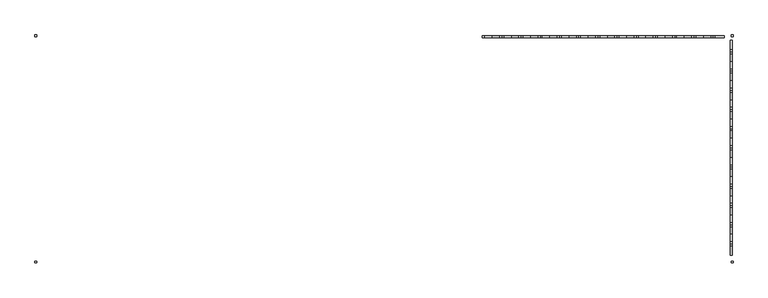
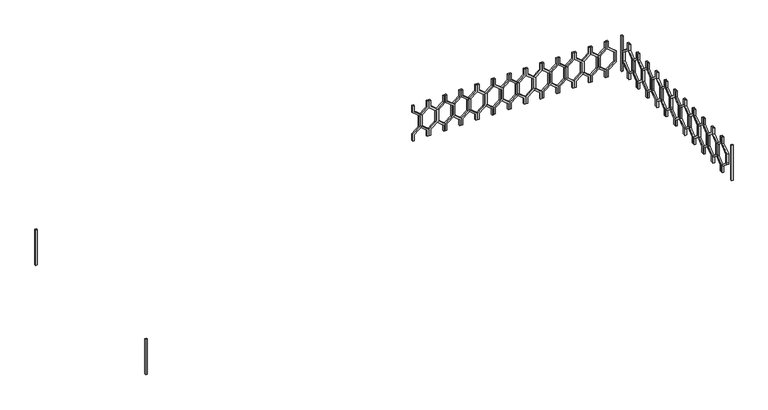
"""IFC4 building model written with IfcOpenShell, lengths in millimetres: railing geometry."""

from ifc_helpers import new_model, si_unit, frame, origin, place, context, project, spatial, polyline, outline, extrude, source, transform, mapped, element, save


def railing_978d5098(model_context):
    return source(origin(), model_context, "Body", "SweptSolid", [
        extrude(outline(polyline([(12160.0, -43314.9887159), (12070.448155, -43314.9887159), (11990.448155, -43215.9937665), (11869.551845, -43215.9937665), (11789.551845, -43314.9887159), (11700.0, -43314.9887159), (11700.0, -43294.9887159), (11780.0, -43294.9887159), (11860.0, -43195.9937665), (12000.0, -43195.9937665), (12080.0, -43294.9887159), (12160.0, -43294.9887159), (12160.0, -43314.9887159)])), frame((0.0, 3248.1079487, 0.0), z_axis=(0.0, 1.0, 0.0), x_axis=(0.0, 0.0, 1.0)), (0.0, 0.0, 1.0), 20.0),
        extrude(outline(polyline([(12160.0, -43114.9887159), (12160.0, -43134.9887159), (12080.0, -43134.9887159), (12000.0, -43233.9836653), (11860.0, -43233.9836653), (11780.0, -43134.9887159), (11700.0, -43134.9887159), (11700.0, -43114.9887159), (11789.551845, -43114.9887159), (11869.551845, -43213.9836653), (11990.448155, -43213.9836653), (12070.448155, -43114.9887159), (12160.0, -43114.9887159)])), frame((0.0, 3248.1079487, 0.0), z_axis=(0.0, 1.0, 0.0), x_axis=(0.0, 0.0, 1.0)), (0.0, 0.0, 1.0), 20.0),
        extrude(outline(polyline([(12160.0, -43114.9887159), (12070.448155, -43114.9887159), (11990.448155, -43015.9937665), (11869.551845, -43015.9937665), (11789.551845, -43114.9887159), (11700.0, -43114.9887159), (11700.0, -43094.9887159), (11780.0, -43094.9887159), (11860.0, -42995.9937665), (12000.0, -42995.9937665), (12080.0, -43094.9887159), (12160.0, -43094.9887159), (12160.0, -43114.9887159)])), frame((0.0, 3248.1079487, 0.0), z_axis=(0.0, 1.0, 0.0), x_axis=(0.0, 0.0, 1.0)), (0.0, 0.0, 1.0), 20.0),
        extrude(outline(polyline([(12160.0, -42914.9887159), (12160.0, -42934.9887159), (12080.0, -42934.9887159), (12000.0, -43033.9836653), (11860.0, -43033.9836653), (11780.0, -42934.9887159), (11700.0, -42934.9887159), (11700.0, -42914.9887159), (11789.551845, -42914.9887159), (11869.551845, -43013.9836653), (11990.448155, -43013.9836653), (12070.448155, -42914.9887159), (12160.0, -42914.9887159)])), frame((0.0, 3248.1079487, 0.0), z_axis=(0.0, 1.0, 0.0), x_axis=(0.0, 0.0, 1.0)), (0.0, 0.0, 1.0), 20.0),
        extrude(outline(polyline([(12160.0, -42914.9887159), (12070.448155, -42914.9887159), (11990.448155, -42815.9937665), (11869.551845, -42815.9937665), (11789.551845, -42914.9887159), (11700.0, -42914.9887159), (11700.0, -42894.9887159), (11780.0, -42894.9887159), (11860.0, -42795.9937665), (12000.0, -42795.9937665), (12080.0, -42894.9887159), (12160.0, -42894.9887159), (12160.0, -42914.9887159)])), frame((0.0, 3248.1079487, 0.0), z_axis=(0.0, 1.0, 0.0), x_axis=(0.0, 0.0, 1.0)), (0.0, 0.0, 1.0), 20.0),
        extrude(outline(polyline([(12160.0, -42714.9887159), (12160.0, -42734.9887159), (12080.0, -42734.9887159), (12000.0, -42833.9836653), (11860.0, -42833.9836653), (11780.0, -42734.9887159), (11700.0, -42734.9887159), (11700.0, -42714.9887159), (11789.551845, -42714.9887159), (11869.551845, -42813.9836653), (11990.448155, -42813.9836653), (12070.448155, -42714.9887159), (12160.0, -42714.9887159)])), frame((0.0, 3248.1079487, 0.0), z_axis=(0.0, 1.0, 0.0), x_axis=(0.0, 0.0, 1.0)), (0.0, 0.0, 1.0), 20.0),
        extrude(outline(polyline([(12160.0, -42714.9887159), (12070.448155, -42714.9887159), (11990.448155, -42615.9937665), (11869.551845, -42615.9937665), (11789.551845, -42714.9887159), (11700.0, -42714.9887159), (11700.0, -42694.9887159), (11780.0, -42694.9887159), (11860.0, -42595.9937665), (12000.0, -42595.9937665), (12080.0, -42694.9887159), (12160.0, -42694.9887159), (12160.0, -42714.9887159)])), frame((0.0, 3248.1079487, 0.0), z_axis=(0.0, 1.0, 0.0), x_axis=(0.0, 0.0, 1.0)), (0.0, 0.0, 1.0), 20.0),
        extrude(outline(polyline([(12160.0, -42514.9887159), (12160.0, -42534.9887159), (12080.0, -42534.9887159), (12000.0, -42633.9836653), (11860.0, -42633.9836653), (11780.0, -42534.9887159), (11700.0, -42534.9887159), (11700.0, -42514.9887159), (11789.551845, -42514.9887159), (11869.551845, -42613.9836653), (11990.448155, -42613.9836653), (12070.448155, -42514.9887159), (12160.0, -42514.9887159)])), frame((0.0, 3248.1079487, 0.0), z_axis=(0.0, 1.0, 0.0), x_axis=(0.0, 0.0, 1.0)), (0.0, 0.0, 1.0), 20.0),
        extrude(outline(polyline([(12160.0, -42514.9887159), (12070.448155, -42514.9887159), (11990.448155, -42415.9937665), (11869.551845, -42415.9937665), (11789.551845, -42514.9887159), (11700.0, -42514.9887159), (11700.0, -42494.9887159), (11780.0, -42494.9887159), (11860.0, -42395.9937665), (12000.0, -42395.9937665), (12080.0, -42494.9887159), (12160.0, -42494.9887159), (12160.0, -42514.9887159)])), frame((0.0, 3248.1079487, 0.0), z_axis=(0.0, 1.0, 0.0), x_axis=(0.0, 0.0, 1.0)), (0.0, 0.0, 1.0), 20.0),
        extrude(outline(polyline([(12160.0, -42314.9887159), (12160.0, -42334.9887159), (12080.0, -42334.9887159), (12000.0, -42433.9836653), (11860.0, -42433.9836653), (11780.0, -42334.9887159), (11700.0, -42334.9887159), (11700.0, -42314.9887159), (11789.551845, -42314.9887159), (11869.551845, -42413.9836653), (11990.448155, -42413.9836653), (12070.448155, -42314.9887159), (12160.0, -42314.9887159)])), frame((0.0, 3248.1079487, 0.0), z_axis=(0.0, 1.0, 0.0), x_axis=(0.0, 0.0, 1.0)), (0.0, 0.0, 1.0), 20.0),
        extrude(outline(polyline([(12160.0, -42314.9887159), (12070.448155, -42314.9887159), (11990.448155, -42215.9937665), (11869.551845, -42215.9937665), (11789.551845, -42314.9887159), (11700.0, -42314.9887159), (11700.0, -42294.9887159), (11780.0, -42294.9887159), (11860.0, -42195.9937665), (12000.0, -42195.9937665), (12080.0, -42294.9887159), (12160.0, -42294.9887159), (12160.0, -42314.9887159)])), frame((0.0, 3248.1079487, 0.0), z_axis=(0.0, 1.0, 0.0), x_axis=(0.0, 0.0, 1.0)), (0.0, 0.0, 1.0), 20.0),
        extrude(outline(polyline([(12160.0, -42114.9887159), (12160.0, -42134.9887159), (12080.0, -42134.9887159), (12000.0, -42233.9836653), (11860.0, -42233.9836653), (11780.0, -42134.9887159), (11700.0, -42134.9887159), (11700.0, -42114.9887159), (11789.551845, -42114.9887159), (11869.551845, -42213.9836653), (11990.448155, -42213.9836653), (12070.448155, -42114.9887159), (12160.0, -42114.9887159)])), frame((0.0, 3248.1079487, 0.0), z_axis=(0.0, 1.0, 0.0), x_axis=(0.0, 0.0, 1.0)), (0.0, 0.0, 1.0), 20.0),
        extrude(outline(polyline([(12160.0, -42114.9887159), (12070.448155, -42114.9887159), (11990.448155, -42015.9937665), (11869.551845, -42015.9937665), (11789.551845, -42114.9887159), (11700.0, -42114.9887159), (11700.0, -42094.9887159), (11780.0, -42094.9887159), (11860.0, -41995.9937665), (12000.0, -41995.9937665), (12080.0, -42094.9887159), (12160.0, -42094.9887159), (12160.0, -42114.9887159)])), frame((0.0, 3248.1079487, 0.0), z_axis=(0.0, 1.0, 0.0), x_axis=(0.0, 0.0, 1.0)), (0.0, 0.0, 1.0), 20.0),
        extrude(outline(polyline([(12160.0, -41914.9887159), (12160.0, -41934.9887159), (12080.0, -41934.9887159), (12000.0, -42033.9836653), (11860.0, -42033.9836653), (11780.0, -41934.9887159), (11700.0, -41934.9887159), (11700.0, -41914.9887159), (11789.551845, -41914.9887159), (11869.551845, -42013.9836653), (11990.448155, -42013.9836653), (12070.448155, -41914.9887159), (12160.0, -41914.9887159)])), frame((0.0, 3248.1079487, 0.0), z_axis=(0.0, 1.0, 0.0), x_axis=(0.0, 0.0, 1.0)), (0.0, 0.0, 1.0), 20.0),
        extrude(outline(polyline([(12160.0, -41914.9887159), (12070.448155, -41914.9887159), (11990.448155, -41815.9937665), (11869.551845, -41815.9937665), (11789.551845, -41914.9887159), (11700.0, -41914.9887159), (11700.0, -41894.9887159), (11780.0, -41894.9887159), (11860.0, -41795.9937665), (12000.0, -41795.9937665), (12080.0, -41894.9887159), (12160.0, -41894.9887159), (12160.0, -41914.9887159)])), frame((0.0, 3248.1079487, 0.0), z_axis=(0.0, 1.0, 0.0), x_axis=(0.0, 0.0, 1.0)), (0.0, 0.0, 1.0), 20.0),
        extrude(outline(polyline([(12160.0, -41714.9887159), (12160.0, -41734.9887159), (12080.0, -41734.9887159), (12000.0, -41833.9836653), (11860.0, -41833.9836653), (11780.0, -41734.9887159), (11700.0, -41734.9887159), (11700.0, -41714.9887159), (11789.551845, -41714.9887159), (11869.551845, -41813.9836653), (11990.448155, -41813.9836653), (12070.448155, -41714.9887159), (12160.0, -41714.9887159)])), frame((0.0, 3248.1079487, 0.0), z_axis=(0.0, 1.0, 0.0), x_axis=(0.0, 0.0, 1.0)), (0.0, 0.0, 1.0), 20.0),
        extrude(outline(polyline([(12160.0, -41714.9887159), (12070.448155, -41714.9887159), (11990.448155, -41615.9937665), (11869.551845, -41615.9937665), (11789.551845, -41714.9887159), (11700.0, -41714.9887159), (11700.0, -41694.9887159), (11780.0, -41694.9887159), (11860.0, -41595.9937665), (12000.0, -41595.9937665), (12080.0, -41694.9887159), (12160.0, -41694.9887159), (12160.0, -41714.9887159)])), frame((0.0, 3248.1079487, 0.0), z_axis=(0.0, 1.0, 0.0), x_axis=(0.0, 0.0, 1.0)), (0.0, 0.0, 1.0), 20.0),
        extrude(outline(polyline([(12160.0, -41514.9887159), (12160.0, -41534.9887159), (12080.0, -41534.9887159), (12000.0, -41633.9836653), (11860.0, -41633.9836653), (11780.0, -41534.9887159), (11700.0, -41534.9887159), (11700.0, -41514.9887159), (11789.551845, -41514.9887159), (11869.551845, -41613.9836653), (11990.448155, -41613.9836653), (12070.448155, -41514.9887159), (12160.0, -41514.9887159)])), frame((0.0, 3248.1079487, 0.0), z_axis=(0.0, 1.0, 0.0), x_axis=(0.0, 0.0, 1.0)), (0.0, 0.0, 1.0), 20.0),
        extrude(outline(polyline([(12160.0, -41514.9887159), (12070.448155, -41514.9887159), (11990.448155, -41415.9937665), (11869.551845, -41415.9937665), (11789.551845, -41514.9887159), (11700.0, -41514.9887159), (11700.0, -41494.9887159), (11780.0, -41494.9887159), (11860.0, -41395.9937665), (12000.0, -41395.9937665), (12080.0, -41494.9887159), (12160.0, -41494.9887159), (12160.0, -41514.9887159)])), frame((0.0, 3248.1079487, 0.0), z_axis=(0.0, 1.0, 0.0), x_axis=(0.0, 0.0, 1.0)), (0.0, 0.0, 1.0), 20.0),
        extrude(outline(polyline([(12160.0, -41314.9887159), (12160.0, -41334.9887159), (12080.0, -41334.9887159), (12000.0, -41433.9836653), (11860.0, -41433.9836653), (11780.0, -41334.9887159), (11700.0, -41334.9887159), (11700.0, -41314.9887159), (11789.551845, -41314.9887159), (11869.551845, -41413.9836653), (11990.448155, -41413.9836653), (12070.448155, -41314.9887159), (12160.0, -41314.9887159)])), frame((0.0, 3248.1079487, 0.0), z_axis=(0.0, 1.0, 0.0), x_axis=(0.0, 0.0, 1.0)), (0.0, 0.0, 1.0), 20.0),
        extrude(outline(polyline([(12160.0, -41314.9887159), (12070.448155, -41314.9887159), (11990.448155, -41215.9937665), (11869.551845, -41215.9937665), (11789.551845, -41314.9887159), (11700.0, -41314.9887159), (11700.0, -41294.9887159), (11780.0, -41294.9887159), (11860.0, -41195.9937665), (12000.0, -41195.9937665), (12080.0, -41294.9887159), (12160.0, -41294.9887159), (12160.0, -41314.9887159)])), frame((0.0, 3248.1079487, 0.0), z_axis=(0.0, 1.0, 0.0), x_axis=(0.0, 0.0, 1.0)), (0.0, 0.0, 1.0), 20.0),
        extrude(outline(polyline([(12160.0, -41114.9887159), (12160.0, -41134.9887159), (12080.0, -41134.9887159), (12000.0, -41233.9836653), (11860.0, -41233.9836653), (11780.0, -41134.9887159), (11700.0, -41134.9887159), (11700.0, -41114.9887159), (11789.551845, -41114.9887159), (11869.551845, -41213.9836653), (11990.448155, -41213.9836653), (12070.448155, -41114.9887159), (12160.0, -41114.9887159)])), frame((0.0, 3248.1079487, 0.0), z_axis=(0.0, 1.0, 0.0), x_axis=(0.0, 0.0, 1.0)), (0.0, 0.0, 1.0), 20.0),
        extrude(outline(polyline([(12160.0, -41114.9887159), (12070.448155, -41114.9887159), (11990.448155, -41015.9937665), (11869.551845, -41015.9937665), (11789.551845, -41114.9887159), (11700.0, -41114.9887159), (11700.0, -41094.9887159), (11780.0, -41094.9887159), (11860.0, -40995.9937665), (12000.0, -40995.9937665), (12080.0, -41094.9887159), (12160.0, -41094.9887159), (12160.0, -41114.9887159)])), frame((0.0, 3248.1079487, 0.0), z_axis=(0.0, 1.0, 0.0), x_axis=(0.0, 0.0, 1.0)), (0.0, 0.0, 1.0), 20.0),
        extrude(outline(polyline([(12160.0, -40914.9887159), (12160.0, -40934.9887159), (12080.0, -40934.9887159), (12000.0, -41033.9836653), (11860.0, -41033.9836653), (11780.0, -40934.9887159), (11700.0, -40934.9887159), (11700.0, -40914.9887159), (11789.551845, -40914.9887159), (11869.551845, -41013.9836653), (11990.448155, -41013.9836653), (12070.448155, -40914.9887159), (12160.0, -40914.9887159)])), frame((0.0, 3248.1079487, 0.0), z_axis=(0.0, 1.0, 0.0), x_axis=(0.0, 0.0, 1.0)), (0.0, 0.0, 1.0), 20.0),
        extrude(outline(polyline([(12160.0, -40914.9887159), (12070.448155, -40914.9887159), (11990.448155, -40815.9937665), (11869.551845, -40815.9937665), (11789.551845, -40914.9887159), (11700.0, -40914.9887159), (11700.0, -40894.9887159), (11780.0, -40894.9887159), (11860.0, -40795.9937665), (12000.0, -40795.9937665), (12080.0, -40894.9887159), (12160.0, -40894.9887159), (12160.0, -40914.9887159)])), frame((0.0, 3248.1079487, 0.0), z_axis=(0.0, 1.0, 0.0), x_axis=(0.0, 0.0, 1.0)), (0.0, 0.0, 1.0), 20.0),
        extrude(outline(polyline([(3103.1079487, 12160.0), (3123.1079487, 12160.0), (3123.1079487, 12080.0), (3222.102898, 12000.0), (3222.102898, 11860.0), (3123.1079487, 11780.0), (3123.1079487, 11700.0), (3103.1079487, 11700.0), (3103.1079487, 11789.551845), (3202.102898, 11869.551845), (3202.102898, 11990.448155), (3103.1079487, 12070.448155), (3103.1079487, 12160.0)])), frame((-40734.9887159, 0.0, 0.0), z_axis=(1.0, 0.0, 0.0), x_axis=(0.0, 1.0, 0.0)), (0.0, 0.0, 1.0), 20.0),
        extrude(outline(polyline([(3103.1079487, 12160.0), (3103.1079487, 12070.448155), (3004.1129993, 11990.448155), (3004.1129993, 11869.551845), (3103.1079487, 11789.551845), (3103.1079487, 11700.0), (3083.1079487, 11700.0), (3083.1079487, 11780.0), (2984.1129993, 11860.0), (2984.1129993, 12000.0), (3083.1079487, 12080.0), (3083.1079487, 12160.0), (3103.1079487, 12160.0)])), frame((-40734.9887159, 0.0, 0.0), z_axis=(1.0, 0.0, 0.0), x_axis=(0.0, 1.0, 0.0)), (0.0, 0.0, 1.0), 20.0),
        extrude(outline(polyline([(2903.1079487, 12160.0), (2923.1079487, 12160.0), (2923.1079487, 12080.0), (3022.102898, 12000.0), (3022.102898, 11860.0), (2923.1079487, 11780.0), (2923.1079487, 11700.0), (2903.1079487, 11700.0), (2903.1079487, 11789.551845), (3002.102898, 11869.551845), (3002.102898, 11990.448155), (2903.1079487, 12070.448155), (2903.1079487, 12160.0)])), frame((-40734.9887159, 0.0, 0.0), z_axis=(1.0, 0.0, 0.0), x_axis=(0.0, 1.0, 0.0)), (0.0, 0.0, 1.0), 20.0),
        extrude(outline(polyline([(2903.1079487, 12160.0), (2903.1079487, 12070.448155), (2804.1129993, 11990.448155), (2804.1129993, 11869.551845), (2903.1079487, 11789.551845), (2903.1079487, 11700.0), (2883.1079487, 11700.0), (2883.1079487, 11780.0), (2784.1129993, 11860.0), (2784.1129993, 12000.0), (2883.1079487, 12080.0), (2883.1079487, 12160.0), (2903.1079487, 12160.0)])), frame((-40734.9887159, 0.0, 0.0), z_axis=(1.0, 0.0, 0.0), x_axis=(0.0, 1.0, 0.0)), (0.0, 0.0, 1.0), 20.0),
        extrude(outline(polyline([(2703.1079487, 12160.0), (2723.1079487, 12160.0), (2723.1079487, 12080.0), (2822.102898, 12000.0), (2822.102898, 11860.0), (2723.1079487, 11780.0), (2723.1079487, 11700.0), (2703.1079487, 11700.0), (2703.1079487, 11789.551845), (2802.102898, 11869.551845), (2802.102898, 11990.448155), (2703.1079487, 12070.448155), (2703.1079487, 12160.0)])), frame((-40734.9887159, 0.0, 0.0), z_axis=(1.0, 0.0, 0.0), x_axis=(0.0, 1.0, 0.0)), (0.0, 0.0, 1.0), 20.0),
        extrude(outline(polyline([(2703.1079487, 12160.0), (2703.1079487, 12070.448155), (2604.1129993, 11990.448155), (2604.1129993, 11869.551845), (2703.1079487, 11789.551845), (2703.1079487, 11700.0), (2683.1079487, 11700.0), (2683.1079487, 11780.0), (2584.1129993, 11860.0), (2584.1129993, 12000.0), (2683.1079487, 12080.0), (2683.1079487, 12160.0), (2703.1079487, 12160.0)])), frame((-40734.9887159, 0.0, 0.0), z_axis=(1.0, 0.0, 0.0), x_axis=(0.0, 1.0, 0.0)), (0.0, 0.0, 1.0), 20.0),
        extrude(outline(polyline([(2503.1079487, 12160.0), (2523.1079487, 12160.0), (2523.1079487, 12080.0), (2622.102898, 12000.0), (2622.102898, 11860.0), (2523.1079487, 11780.0), (2523.1079487, 11700.0), (2503.1079487, 11700.0), (2503.1079487, 11789.551845), (2602.102898, 11869.551845), (2602.102898, 11990.448155), (2503.1079487, 12070.448155), (2503.1079487, 12160.0)])), frame((-40734.9887159, 0.0, 0.0), z_axis=(1.0, 0.0, 0.0), x_axis=(0.0, 1.0, 0.0)), (0.0, 0.0, 1.0), 20.0),
        extrude(outline(polyline([(2503.1079487, 12160.0), (2503.1079487, 12070.448155), (2404.1129993, 11990.448155), (2404.1129993, 11869.551845), (2503.1079487, 11789.551845), (2503.1079487, 11700.0), (2483.1079487, 11700.0), (2483.1079487, 11780.0), (2384.1129993, 11860.0), (2384.1129993, 12000.0), (2483.1079487, 12080.0), (2483.1079487, 12160.0), (2503.1079487, 12160.0)])), frame((-40734.9887159, 0.0, 0.0), z_axis=(1.0, 0.0, 0.0), x_axis=(0.0, 1.0, 0.0)), (0.0, 0.0, 1.0), 20.0),
        extrude(outline(polyline([(2303.1079487, 12160.0), (2323.1079487, 12160.0), (2323.1079487, 12080.0), (2422.102898, 12000.0), (2422.102898, 11860.0), (2323.1079487, 11780.0), (2323.1079487, 11700.0), (2303.1079487, 11700.0), (2303.1079487, 11789.551845), (2402.102898, 11869.551845), (2402.102898, 11990.448155), (2303.1079487, 12070.448155), (2303.1079487, 12160.0)])), frame((-40734.9887159, 0.0, 0.0), z_axis=(1.0, 0.0, 0.0), x_axis=(0.0, 1.0, 0.0)), (0.0, 0.0, 1.0), 20.0),
        extrude(outline(polyline([(2303.1079487, 12160.0), (2303.1079487, 12070.448155), (2204.1129993, 11990.448155), (2204.1129993, 11869.551845), (2303.1079487, 11789.551845), (2303.1079487, 11700.0), (2283.1079487, 11700.0), (2283.1079487, 11780.0), (2184.1129993, 11860.0), (2184.1129993, 12000.0), (2283.1079487, 12080.0), (2283.1079487, 12160.0), (2303.1079487, 12160.0)])), frame((-40734.9887159, 0.0, 0.0), z_axis=(1.0, 0.0, 0.0), x_axis=(0.0, 1.0, 0.0)), (0.0, 0.0, 1.0), 20.0),
        extrude(outline(polyline([(2103.1079487, 12160.0), (2123.1079487, 12160.0), (2123.1079487, 12080.0), (2222.102898, 12000.0), (2222.102898, 11860.0), (2123.1079487, 11780.0), (2123.1079487, 11700.0), (2103.1079487, 11700.0), (2103.1079487, 11789.551845), (2202.102898, 11869.551845), (2202.102898, 11990.448155), (2103.1079487, 12070.448155), (2103.1079487, 12160.0)])), frame((-40734.9887159, 0.0, 0.0), z_axis=(1.0, 0.0, 0.0), x_axis=(0.0, 1.0, 0.0)), (0.0, 0.0, 1.0), 20.0),
        extrude(outline(polyline([(2103.1079487, 12160.0), (2103.1079487, 12070.448155), (2004.1129993, 11990.448155), (2004.1129993, 11869.551845), (2103.1079487, 11789.551845), (2103.1079487, 11700.0), (2083.1079487, 11700.0), (2083.1079487, 11780.0), (1984.1129993, 11860.0), (1984.1129993, 12000.0), (2083.1079487, 12080.0), (2083.1079487, 12160.0), (2103.1079487, 12160.0)])), frame((-40734.9887159, 0.0, 0.0), z_axis=(1.0, 0.0, 0.0), x_axis=(0.0, 1.0, 0.0)), (0.0, 0.0, 1.0), 20.0),
        extrude(outline(polyline([(1903.1079487, 12160.0), (1923.1079487, 12160.0), (1923.1079487, 12080.0), (2022.102898, 12000.0), (2022.102898, 11860.0), (1923.1079487, 11780.0), (1923.1079487, 11700.0), (1903.1079487, 11700.0), (1903.1079487, 11789.551845), (2002.102898, 11869.551845), (2002.102898, 11990.448155), (1903.1079487, 12070.448155), (1903.1079487, 12160.0)])), frame((-40734.9887159, 0.0, 0.0), z_axis=(1.0, 0.0, 0.0), x_axis=(0.0, 1.0, 0.0)), (0.0, 0.0, 1.0), 20.0),
        extrude(outline(polyline([(1903.1079487, 12160.0), (1903.1079487, 12070.448155), (1804.1129993, 11990.448155), (1804.1129993, 11869.551845), (1903.1079487, 11789.551845), (1903.1079487, 11700.0), (1883.1079487, 11700.0), (1883.1079487, 11780.0), (1784.1129993, 11860.0), (1784.1129993, 12000.0), (1883.1079487, 12080.0), (1883.1079487, 12160.0), (1903.1079487, 12160.0)])), frame((-40734.9887159, 0.0, 0.0), z_axis=(1.0, 0.0, 0.0), x_axis=(0.0, 1.0, 0.0)), (0.0, 0.0, 1.0), 20.0),
        extrude(outline(polyline([(1703.1079487, 12160.0), (1723.1079487, 12160.0), (1723.1079487, 12080.0), (1822.102898, 12000.0), (1822.102898, 11860.0), (1723.1079487, 11780.0), (1723.1079487, 11700.0), (1703.1079487, 11700.0), (1703.1079487, 11789.551845), (1802.102898, 11869.551845), (1802.102898, 11990.448155), (1703.1079487, 12070.448155), (1703.1079487, 12160.0)])), frame((-40734.9887159, 0.0, 0.0), z_axis=(1.0, 0.0, 0.0), x_axis=(0.0, 1.0, 0.0)), (0.0, 0.0, 1.0), 20.0),
        extrude(outline(polyline([(1703.1079487, 12160.0), (1703.1079487, 12070.448155), (1604.1129993, 11990.448155), (1604.1129993, 11869.551845), (1703.1079487, 11789.551845), (1703.1079487, 11700.0), (1683.1079487, 11700.0), (1683.1079487, 11780.0), (1584.1129993, 11860.0), (1584.1129993, 12000.0), (1683.1079487, 12080.0), (1683.1079487, 12160.0), (1703.1079487, 12160.0)])), frame((-40734.9887159, 0.0, 0.0), z_axis=(1.0, 0.0, 0.0), x_axis=(0.0, 1.0, 0.0)), (0.0, 0.0, 1.0), 20.0),
        extrude(outline(polyline([(1503.1079487, 12160.0), (1523.1079487, 12160.0), (1523.1079487, 12080.0), (1622.102898, 12000.0), (1622.102898, 11860.0), (1523.1079487, 11780.0), (1523.1079487, 11700.0), (1503.1079487, 11700.0), (1503.1079487, 11789.551845), (1602.102898, 11869.551845), (1602.102898, 11990.448155), (1503.1079487, 12070.448155), (1503.1079487, 12160.0)])), frame((-40734.9887159, 0.0, 0.0), z_axis=(1.0, 0.0, 0.0), x_axis=(0.0, 1.0, 0.0)), (0.0, 0.0, 1.0), 20.0),
        extrude(outline(polyline([(1503.1079487, 12160.0), (1503.1079487, 12070.448155), (1404.1129993, 11990.448155), (1404.1129993, 11869.551845), (1503.1079487, 11789.551845), (1503.1079487, 11700.0), (1483.1079487, 11700.0), (1483.1079487, 11780.0), (1384.1129993, 11860.0), (1384.1129993, 12000.0), (1483.1079487, 12080.0), (1483.1079487, 12160.0), (1503.1079487, 12160.0)])), frame((-40734.9887159, 0.0, 0.0), z_axis=(1.0, 0.0, 0.0), x_axis=(0.0, 1.0, 0.0)), (0.0, 0.0, 1.0), 20.0),
        extrude(outline(polyline([(1303.1079487, 12160.0), (1323.1079487, 12160.0), (1323.1079487, 12080.0), (1422.102898, 12000.0), (1422.102898, 11860.0), (1323.1079487, 11780.0), (1323.1079487, 11700.0), (1303.1079487, 11700.0), (1303.1079487, 11789.551845), (1402.102898, 11869.551845), (1402.102898, 11990.448155), (1303.1079487, 12070.448155), (1303.1079487, 12160.0)])), frame((-40734.9887159, 0.0, 0.0), z_axis=(1.0, 0.0, 0.0), x_axis=(0.0, 1.0, 0.0)), (0.0, 0.0, 1.0), 20.0),
        extrude(outline(polyline([(1303.1079487, 12160.0), (1303.1079487, 12070.448155), (1204.1129993, 11990.448155), (1204.1129993, 11869.551845), (1303.1079487, 11789.551845), (1303.1079487, 11700.0), (1283.1079487, 11700.0), (1283.1079487, 11780.0), (1184.1129993, 11860.0), (1184.1129993, 12000.0), (1283.1079487, 12080.0), (1283.1079487, 12160.0), (1303.1079487, 12160.0)])), frame((-40734.9887159, 0.0, 0.0), z_axis=(1.0, 0.0, 0.0), x_axis=(0.0, 1.0, 0.0)), (0.0, 0.0, 1.0), 20.0),
        extrude(outline(polyline([(1103.1079487, 12160.0), (1123.1079487, 12160.0), (1123.1079487, 12080.0), (1222.102898, 12000.0), (1222.102898, 11860.0), (1123.1079487, 11780.0), (1123.1079487, 11700.0), (1103.1079487, 11700.0), (1103.1079487, 11789.551845), (1202.102898, 11869.551845), (1202.102898, 11990.448155), (1103.1079487, 12070.448155), (1103.1079487, 12160.0)])), frame((-40734.9887159, 0.0, 0.0), z_axis=(1.0, 0.0, 0.0), x_axis=(0.0, 1.0, 0.0)), (0.0, 0.0, 1.0), 20.0),
        extrude(outline(polyline([(1103.1079487, 12160.0), (1103.1079487, 12070.448155), (1004.1129993, 11990.448155), (1004.1129993, 11869.551845), (1103.1079487, 11789.551845), (1103.1079487, 11700.0), (1083.1079487, 11700.0), (1083.1079487, 11780.0), (984.1129993, 11860.0), (984.1129993, 12000.0), (1083.1079487, 12080.0), (1083.1079487, 12160.0), (1103.1079487, 12160.0)])), frame((-40734.9887159, 0.0, 0.0), z_axis=(1.0, 0.0, 0.0), x_axis=(0.0, 1.0, 0.0)), (0.0, 0.0, 1.0), 20.0),
        extrude(outline(polyline([(-47954.9887159, 3278.1079487), (-47954.9887159, 3258.1079487), (-47974.9887159, 3258.1079487), (-47974.9887159, 3278.1079487), (-47954.9887159, 3278.1079487)])), frame((0.0, 0.0, 11700.0), z_axis=(0.0, 0.0, 1.0), x_axis=(1.0, 0.0, 0.0)), (0.0, 0.0, 1.0), 460.0),
        extrude(outline(polyline([(-40704.9887159, 3258.1079487), (-40724.9887159, 3258.1079487), (-40724.9887159, 3278.1079487), (-40704.9887159, 3278.1079487), (-40704.9887159, 3258.1079487)])), frame((0.0, 0.0, 11700.0), z_axis=(0.0, 0.0, 1.0), x_axis=(1.0, 0.0, 0.0)), (0.0, 0.0, 1.0), 460.0),
        extrude(outline(polyline([(-47974.9887159, 923.1079487), (-47954.9887159, 923.1079487), (-47954.9887159, 903.1079487), (-47974.9887159, 903.1079487), (-47974.9887159, 923.1079487)])), frame((0.0, 0.0, 11700.0), z_axis=(0.0, 0.0, 1.0), x_axis=(1.0, 0.0, 0.0)), (0.0, 0.0, 1.0), 460.0),
        extrude(outline(polyline([(-40704.9887159, 903.1079487), (-40724.9887159, 903.1079487), (-40724.9887159, 923.1079487), (-40704.9887159, 923.1079487), (-40704.9887159, 903.1079487)])), frame((0.0, 0.0, 11700.0), z_axis=(0.0, 0.0, 1.0), x_axis=(1.0, 0.0, 0.0)), (0.0, 0.0, 1.0), 460.0),
    ])


if __name__ == "__main__":
    model = new_model("IFC4")
    model_context = context("Model", 3, world=origin())
    ifc_project = project(units=[si_unit("LENGTHUNIT", "METRE", prefix="MILLI")], contexts=[model_context])
    site = spatial("IfcSite", under=ifc_project)
    building = spatial("IfcBuilding", under=site)
    placement = place(None, origin())
    railing_shape = railing_978d5098(model_context)
    element("IfcRailing", 1, at=placement, inside=building, context=model_context, shape_type="MappedRepresentation", body=[
        mapped(railing_shape, transform((0.0, 0.0, 0.0), x_axis=(1.0, 0.0, 0.0), y_axis=(0.0, 1.0, 0.0), z_axis=(0.0, 0.0, 1.0))),
    ])
    save(model, "model.ifc")
